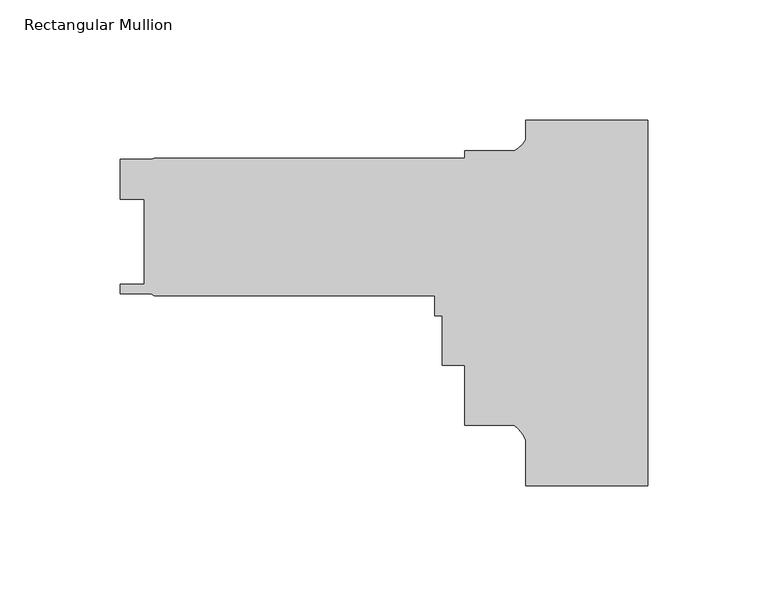
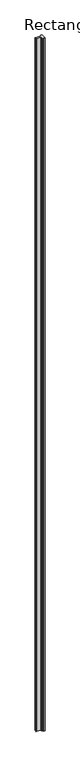
"""IFC4 building model written with IfcOpenShell, lengths in millimetres: member geometry, Rectangular Mullion."""

from ifc_helpers import new_model, si_unit, point, frame, frame_2d, origin, place, context, project, spatial, polyline, circle_curve, trimmed, segment, composite_curve, outline, extrude, source, transform, mapped, element, save


def rectangular_mullion_5da6676f(model_context):
    return source(origin(), model_context, "Body", "SweptSolid", [
        extrude(outline(composite_curve([segment(polyline([(0.0, -152.4), (-50.8, -152.4), (-50.8, -133.3108371)]), True, "CONTINUOUS"), segment(trimmed(circle_curve(frame_2d((-64.9144624, -139.3639521)), 15.3576772), [point((-50.8, -133.3108371))], [point((-55.6934851, -127.0825911))], True, "CARTESIAN"), True, "CONTINUOUS"), segment(polyline([(-55.6934851, -127.0825911), (-76.1999898, -127.0825911), (-76.1999898, -102.0381911), (-85.7249898, -102.0381911), (-85.7249898, -81.4133911), (-88.8999898, -81.4133911), (-88.8999898, -73.1075911), (-205.5812398, -73.1075911), (-207.0499589, -72.2596258), (-219.8687398, -72.3138411), (-219.8687398, -68.3450911), (-209.8230398, -68.3450911), (-209.8230398, -33.0771909), (-219.8560396, -33.0771909), (-219.8560396, -16.414791), (-206.8373862, -16.414791), (-205.5812398, -15.9575911), (-76.1999898, -15.9575911), (-76.1999898, -12.7825911), (-55.7723453, -12.7825911)]), True, "CONTINUOUS"), segment(trimmed(circle_curve(frame_2d((-62.7094465, -0.206928)), 14.3621265), [point((-55.7723453, -12.7825911))], [point((-50.8, -8.2341168))], True, "CARTESIAN"), True, "CONTINUOUS"), segment(polyline([(-50.8, -8.2341168), (-50.8, 0.0), (0.0, 0.0), (0.0, -152.4)]), True, "CONTINUOUS")], self_intersect=False)), frame((0.0, 0.0, -21325.4152256), z_axis=(0.0, 0.0, 1.0), x_axis=(1.0, 0.0, 0.0)), (0.0, 0.0, 1.0), 21325.4152256),
    ])


if __name__ == "__main__":
    model = new_model("IFC4")
    model_context = context("Model", 3, world=origin())
    ifc_project = project(units=[si_unit("LENGTHUNIT", "METRE", prefix="MILLI")], contexts=[model_context])
    site = spatial("IfcSite", under=ifc_project)
    building = spatial("IfcBuilding", under=site)
    placement = place(None, origin())
    rectangular_mullion_shape = rectangular_mullion_5da6676f(model_context)
    element("IfcMember", 1, ObjectType="Rectangular Mullion", at=placement, inside=building, context=model_context, shape_type="MappedRepresentation", body=[
        mapped(rectangular_mullion_shape, transform((0.0, 0.0, 0.0), x_axis=(1.0, 0.0, 0.0), y_axis=(0.0, 1.0, 0.0), z_axis=(0.0, 0.0, 1.0))),
    ])
    save(model, "model.ifc")
